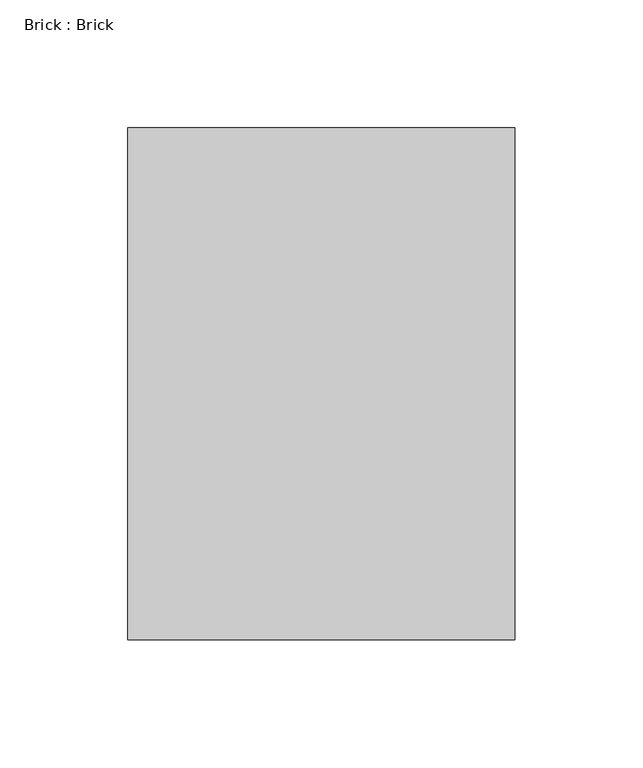
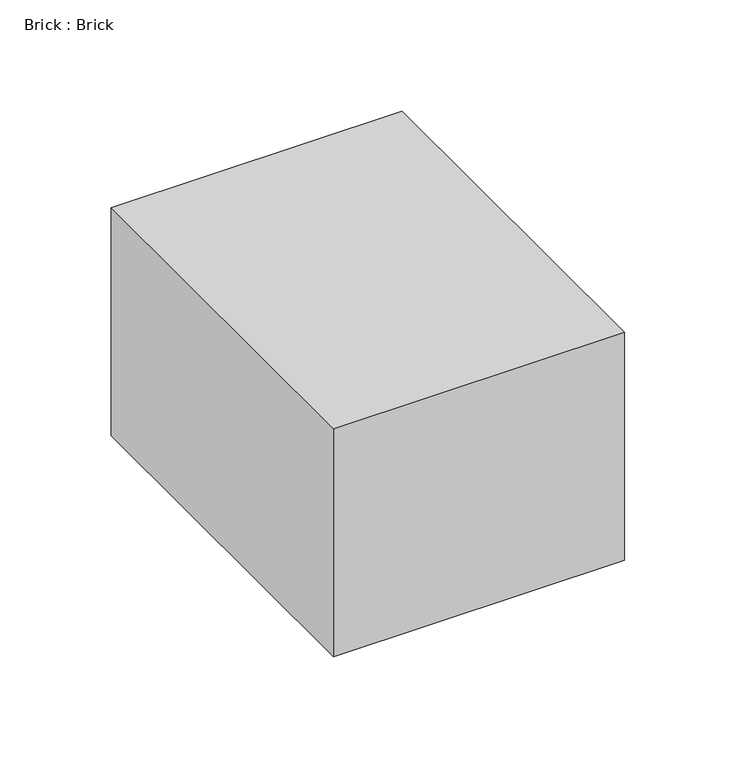
"""IFC4 building model written with IfcOpenShell, lengths in millimetres: proxy geometry, Brick : Brick."""

from ifc_helpers import new_model, si_unit, frame, origin, place, context, project, spatial, polyline, outline, extrude, source, transform, mapped, element, save


def brick_brick_bacdef20(model_context):
    return source(origin(), model_context, "Body", "SweptSolid", [
        extrude(outline(polyline([(75.5, 100.0), (75.5, -100.0), (-75.5, -100.0), (-75.5, 100.0), (75.5, 100.0)])), frame((0.0, 0.0, -62.5), z_axis=(0.0, 0.0, 1.0), x_axis=(1.0, 0.0, 0.0)), (0.0, 0.0, 1.0), 125.0),
    ])


if __name__ == "__main__":
    model = new_model("IFC4")
    model_context = context("Model", 3, world=origin())
    ifc_project = project(units=[si_unit("LENGTHUNIT", "METRE", prefix="MILLI")], contexts=[model_context])
    site = spatial("IfcSite", under=ifc_project)
    building = spatial("IfcBuilding", under=site)
    placement = place(None, origin())
    brick_brick_shape = brick_brick_bacdef20(model_context)
    element("IfcBuildingElementProxy", 1, Name="Brick : Brick", ObjectType="Brick : Brick", at=placement, inside=building, context=model_context, shape_type="MappedRepresentation", body=[
        mapped(brick_brick_shape, transform((0.0, 0.0, 0.0), x_axis=(1.0, 0.0, 0.0), y_axis=(0.0, 1.0, 0.0), z_axis=(0.0, 0.0, 1.0))),
    ])
    save(model, "model.ifc")
